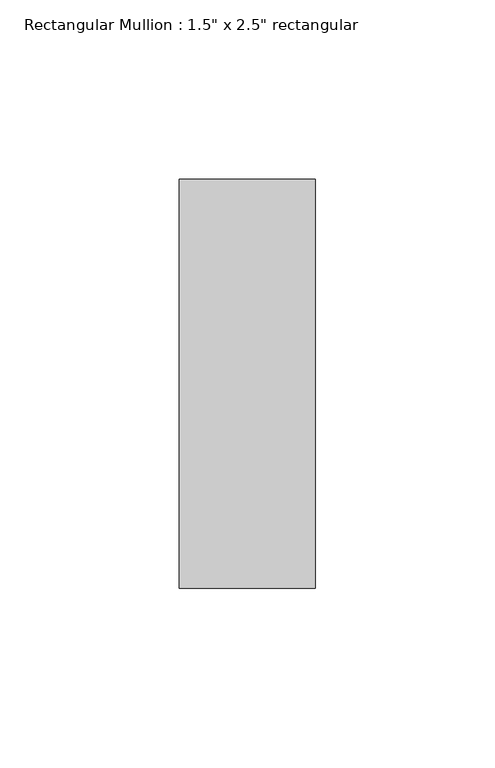
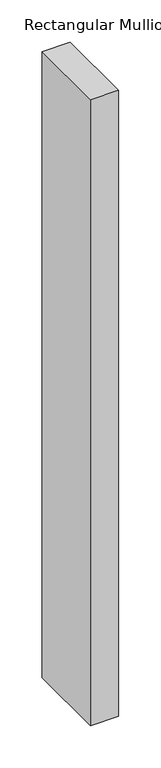
"""IFC4 building model written with IfcOpenShell, lengths in millimetres: member geometry."""

from ifc_helpers import new_model, si_unit, frame, origin, place, context, project, spatial, polyline, outline, extrude, source, transform, mapped, element, save


def member_1e1d4b45(model_context):
    return source(origin(), model_context, "Body", "SweptSolid", [
        extrude(outline(polyline([(19.05, 57.15), (19.05, -57.15), (-19.05, -57.15), (-19.05, 57.15), (19.05, 57.15)])), frame((0.0, 0.0, -901.7), z_axis=(0.0, 0.0, 1.0), x_axis=(1.0, 0.0, 0.0)), (0.0, 0.0, 1.0), 901.7),
    ])


if __name__ == "__main__":
    model = new_model("IFC4")
    model_context = context("Model", 3, world=origin())
    ifc_project = project(units=[si_unit("LENGTHUNIT", "METRE", prefix="MILLI")], contexts=[model_context])
    site = spatial("IfcSite", under=ifc_project)
    building = spatial("IfcBuilding", under=site)
    placement = place(None, origin())
    member_shape = member_1e1d4b45(model_context)
    element("IfcMember", 1, ObjectType="Rectangular Mullion : 1.5\" x 2.5\" rectangular", at=placement, inside=building, context=model_context, shape_type="MappedRepresentation", body=[
        mapped(member_shape, transform((0.0, 0.0, 0.0), x_axis=(1.0, 0.0, 0.0), y_axis=(0.0, 1.0, 0.0), z_axis=(0.0, 0.0, 1.0))),
    ])
    save(model, "model.ifc")
